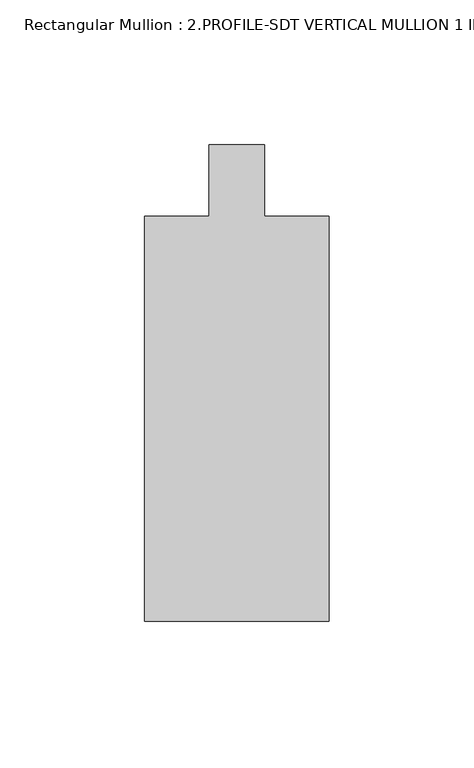
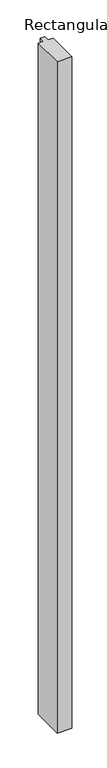
"""IFC4 building model written with IfcOpenShell, lengths in millimetres: member geometry, Rectangular Mullion : 2.PROFILE-SDT VERTICAL MULLION 1 INCH INFILL DETAIL 6."""

from ifc_helpers import new_model, si_unit, frame, origin, place, context, project, spatial, polyline, outline, extrude, source, transform, mapped, element, save


def rectangular_mullion_2_profile_sdt_vertical_mullion_1_inch_09989587(model_context):
    return source(origin(), model_context, "Body", "SweptSolid", [
        extrude(outline(polyline([(0.0, -69.85), (-63.5, -69.85), (-63.5, 69.849995), (-41.2751132, 69.849995), (-41.2751132, 94.4685504), (-22.2248868, 94.4685504), (-22.2248868, 69.849995), (0.0, 69.849995), (0.0, -69.85)])), frame((0.0, 0.0, -3048.0), z_axis=(0.0, 0.0, 1.0), x_axis=(1.0, 0.0, 0.0)), (0.0, 0.0, 1.0), 3048.0),
    ])


if __name__ == "__main__":
    model = new_model("IFC4")
    model_context = context("Model", 3, world=origin())
    ifc_project = project(units=[si_unit("LENGTHUNIT", "METRE", prefix="MILLI")], contexts=[model_context])
    site = spatial("IfcSite", under=ifc_project)
    building = spatial("IfcBuilding", under=site)
    placement = place(None, origin())
    rectangular_mullion_2_profile_sdt_vertical_mullion_1_inch_shape = rectangular_mullion_2_profile_sdt_vertical_mullion_1_inch_09989587(model_context)
    element("IfcMember", 1, ObjectType="Rectangular Mullion : 2.PROFILE-SDT VERTICAL MULLION 1 INCH INFILL DETAIL 6", at=placement, inside=building, context=model_context, shape_type="MappedRepresentation", body=[
        mapped(rectangular_mullion_2_profile_sdt_vertical_mullion_1_inch_shape, transform((0.0, 0.0, 0.0), x_axis=(1.0, 0.0, 0.0), y_axis=(0.0, 1.0, 0.0), z_axis=(0.0, 0.0, 1.0))),
    ])
    save(model, "model.ifc")
